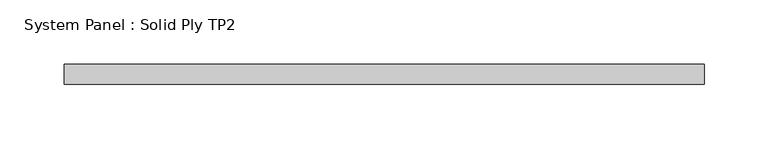
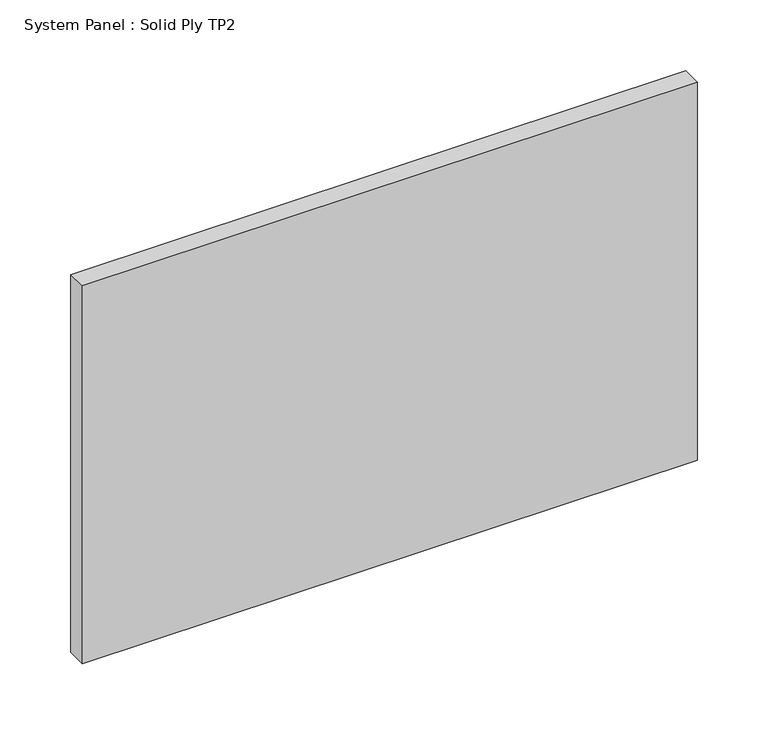
"""IFC4 building model written with IfcOpenShell, lengths in millimetres: plate geometry, System Panel : Solid Ply TP2."""

from ifc_helpers import new_model, si_unit, origin, origin_with_axes, place, context, project, spatial, polyline, outline, extrude, source, transform, mapped, element, save


def system_panel_solid_ply_tp2_f9af4bec(model_context):
    return source(origin(), model_context, "Body", "SweptSolid", [
        extrude(outline(polyline([(250.0, -23.0), (-250.0, -23.0), (-250.0, -7.0), (250.0, -7.0), (250.0, -23.0)])), origin_with_axes(), (0.0, 0.0, 1.0), 325.0),
    ])


if __name__ == "__main__":
    model = new_model("IFC4")
    model_context = context("Model", 3, world=origin())
    ifc_project = project(units=[si_unit("LENGTHUNIT", "METRE", prefix="MILLI")], contexts=[model_context])
    site = spatial("IfcSite", under=ifc_project)
    building = spatial("IfcBuilding", under=site)
    placement = place(None, origin())
    system_panel_solid_ply_tp2_shape = system_panel_solid_ply_tp2_f9af4bec(model_context)
    element("IfcPlate", 1, ObjectType="System Panel : Solid Ply TP2", at=placement, inside=building, context=model_context, shape_type="MappedRepresentation", body=[
        mapped(system_panel_solid_ply_tp2_shape, transform((0.0, 0.0, 0.0), x_axis=(1.0, 0.0, 0.0), y_axis=(0.0, 1.0, 0.0), z_axis=(0.0, 0.0, 1.0))),
    ])
    save(model, "model.ifc")
